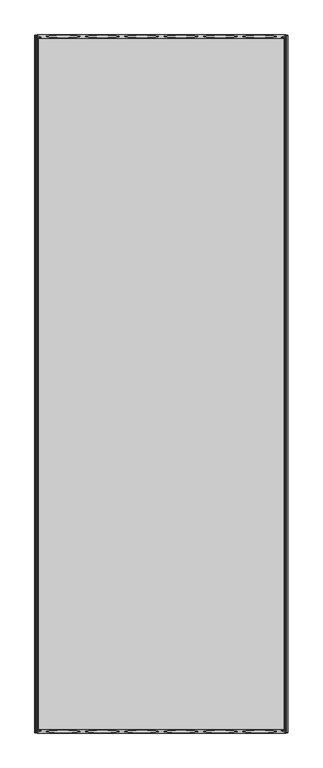
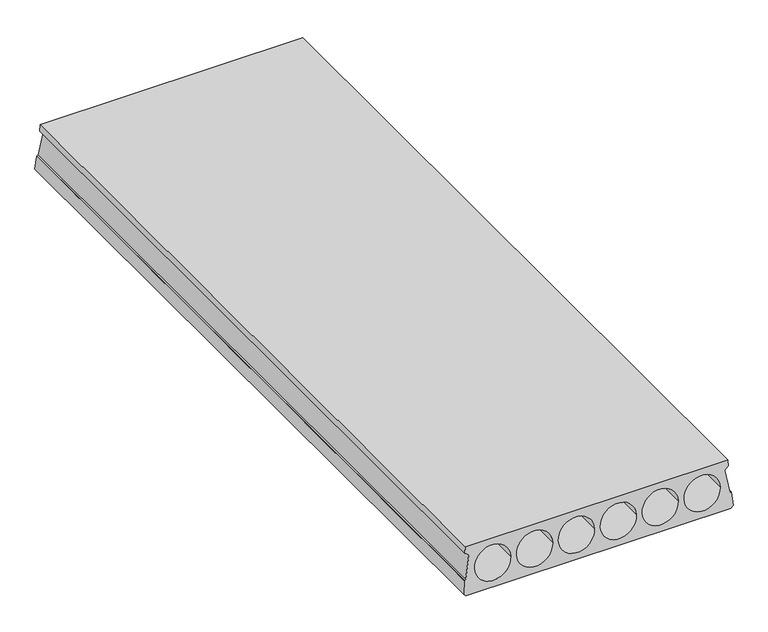
"""IFC4 building model written with IfcOpenShell, lengths in millimetres: beam geometry."""

from ifc_helpers import new_model, si_unit, frame, origin, place, context, project, spatial, polyline, ellipse_curve, source, transform, mapped, element, save
from ifc_brep_helpers import plane_surface, revolved_surface, advanced_brep


def beam_46aa6d4a(model_context):
    return source(origin(), model_context, "Body", "AdvancedBrep", [
        advanced_brep(
        [(10.0, -3280.0, 0.0), (10.0, 0.0, 0.0), (1180.0, 0.0, 0.0), (1180.0, -3280.0, 0.0), (1174.7696772, -15.0, 220.0), (15.0, -15.0, 220.0), (15.0, -3265.0, 220.0), (1174.7696772, -3265.0, 220.0), (12.8871596, -12.9831978, 190.4202344), (15.8795357, -12.9686245, 190.2064933), (15.8795357, -3267.0313755, 190.2064933), (12.8871596, -3267.0168022, 190.4202344), (29.9864516, -12.0796557, 177.1682831), (29.9864516, -3267.9203443, 177.1682831), (12.6021714, -5.0553442, 74.1450488), (12.6021714, -3274.9446558, 74.1450488), (7.3298897, -4.8075988, 70.5114493), (7.3298897, -3275.1924012, 70.5114493), (4.3580656, -4.8417899, 71.0129189), (4.3580656, -3275.1582101, 71.0129189), (0.0, -0.6818182, 10.0), (0.0, -3279.3181818, 10.0), (1190.0, -0.6818182, 10.0), (1190.0, -3279.3181818, 10.0), (1185.6391914, -4.8444083, 71.051321), (1185.6391914, -3275.1555917, 71.051321), (1182.4401418, -4.8076029, 70.5115091), (1182.4401418, -3275.1923971, 70.5115091), (1177.167566, -5.0553621, 74.1453113), (1177.167566, -3274.9446379, 74.1453113), (1159.9865416, -12.0796614, 177.1683675), (1159.9865416, -3267.9203386, 177.1683675), (1173.8901415, -12.9686245, 190.2064933), (1173.8901415, -3267.0313755, 190.2064933), (1176.8825176, -12.9831978, 190.4202344), (1176.8825176, -3267.0168022, 190.4202344), (212.0, -7.4401262, 109.1218503), (53.0, -7.4401262, 109.1218503), (53.0, -3272.5598738, 109.1218503), (212.0, -3272.5598738, 109.1218503), (397.0, -7.4401262, 109.1218503), (238.0, -7.4401262, 109.1218503), (238.0, -3272.5598738, 109.1218503), (397.0, -3272.5598738, 109.1218503), (423.0, -7.4401262, 109.1218503), (582.0, -7.4401262, 109.1218503), (608.0, -7.4401262, 109.1218503), (767.0, -7.4401262, 109.1218503), (793.0, -7.4401262, 109.1218503), (952.0, -7.4401262, 109.1218503), (978.0, -7.4401262, 109.1218503), (1137.0, -7.4401262, 109.1218503), (582.0, -3272.5598738, 109.1218503), (423.0, -3272.5598738, 109.1218503), (767.0, -3272.5598738, 109.1218503), (608.0, -3272.5598738, 109.1218503), (952.0, -3272.5598738, 109.1218503), (793.0, -3272.5598738, 109.1218503), (1137.0, -3272.5598738, 109.1218503), (978.0, -3272.5598738, 109.1218503)],
        [
            (0, 1),
            (1, 2),
            (2, 3),
            (3, 0),
            (4, 5),
            (5, 6),
            (6, 7),
            (7, 4),
            (8, 9),
            (9, 10),
            (10, 11),
            (11, 8),
            (9, 12),
            (12, 13),
            (13, 10),
            (12, 14),
            (14, 15),
            (15, 13),
            (14, 16),
            (16, 17),
            (17, 15),
            (16, 18),
            (18, 19),
            (19, 17),
            (18, 20),
            (20, 21),
            (21, 19),
            (0, 21),
            (20, 1),
            (2, 22),
            (22, 23),
            (23, 3),
            (22, 24),
            (24, 25),
            (25, 23),
            (24, 26),
            (26, 27),
            (27, 25),
            (26, 28),
            (28, 29),
            (29, 27),
            (28, 30),
            (30, 31),
            (31, 29),
            (30, 32),
            (32, 33),
            (33, 31),
            (32, 34),
            (34, 35),
            (35, 33),
            (34, 4),
            (7, 35),
            (36, 37, ellipse_curve(frame((132.5, -7.4401262, 109.1218503), z_axis=(0.0, 0.9976836926815401, 0.06802388813737582), x_axis=(0.0, -0.06802388813737509, 0.9976836926815403)), 79.684574, 79.5)),
            (37, 38),
            (38, 39, ellipse_curve(frame((132.5, -3272.5598738, 109.1218503), z_axis=(0.0, -0.99768369268154, 0.06802388813737766), x_axis=(0.0, -0.06802388813737653, -0.9976836926815401)), 79.684574, 79.5)),
            (39, 36),
            (37, 36, ellipse_curve(frame((132.5, -7.4401262, 109.1218503), z_axis=(0.0, 0.9976836926815401, 0.06802388813737582), x_axis=(0.0, -0.06802388813737509, 0.9976836926815403)), 79.684574, 79.5)),
            (39, 38, ellipse_curve(frame((132.5, -3272.5598738, 109.1218503), z_axis=(0.0, -0.99768369268154, 0.06802388813737766), x_axis=(0.0, -0.06802388813737653, -0.9976836926815401)), 79.684574, 79.5)),
            (40, 41, ellipse_curve(frame((317.5, -7.4401262, 109.1218503), z_axis=(0.0, 0.9976836926815401, 0.06802388813737582), x_axis=(0.0, -0.06802388813737509, 0.9976836926815403)), 79.684574, 79.5)),
            (41, 42),
            (42, 43, ellipse_curve(frame((317.5, -3272.5598738, 109.1218503), z_axis=(0.0, -0.99768369268154, 0.06802388813737766), x_axis=(0.0, -0.06802388813737653, -0.9976836926815401)), 79.684574, 79.5)),
            (43, 40),
            (41, 40, ellipse_curve(frame((317.5, -7.4401262, 109.1218503), z_axis=(0.0, 0.9976836926815401, 0.06802388813737582), x_axis=(0.0, -0.06802388813737509, 0.9976836926815403)), 79.684574, 79.5)),
            (43, 42, ellipse_curve(frame((317.5, -3272.5598738, 109.1218503), z_axis=(0.0, -0.99768369268154, 0.06802388813737766), x_axis=(0.0, -0.06802388813737653, -0.9976836926815401)), 79.684574, 79.5)),
            (8, 5),
            (44, 45, ellipse_curve(frame((502.5, -7.4401262, 109.1218503), z_axis=(0.0, -0.9976836926815401, -0.06802388813737582), x_axis=(0.0, -0.06802388813737509, 0.9976836926815403)), 79.684574, 79.5)),
            (45, 44, ellipse_curve(frame((502.5, -7.4401262, 109.1218503), z_axis=(0.0, -0.9976836926815401, -0.06802388813737582), x_axis=(0.0, -0.06802388813737509, 0.9976836926815403)), 79.684574, 79.5)),
            (46, 47, ellipse_curve(frame((687.5, -7.4401262, 109.1218503), z_axis=(0.0, -0.9976836926815401, -0.06802388813737582), x_axis=(0.0, -0.06802388813737509, 0.9976836926815403)), 79.684574, 79.5)),
            (47, 46, ellipse_curve(frame((687.5, -7.4401262, 109.1218503), z_axis=(0.0, -0.9976836926815401, -0.06802388813737582), x_axis=(0.0, -0.06802388813737509, 0.9976836926815403)), 79.684574, 79.5)),
            (48, 49, ellipse_curve(frame((872.5, -7.4401262, 109.1218503), z_axis=(0.0, -0.9976836926815401, -0.06802388813737582), x_axis=(0.0, -0.06802388813737509, 0.9976836926815403)), 79.684574, 79.5)),
            (49, 48, ellipse_curve(frame((872.5, -7.4401262, 109.1218503), z_axis=(0.0, -0.9976836926815401, -0.06802388813737582), x_axis=(0.0, -0.06802388813737509, 0.9976836926815403)), 79.684574, 79.5)),
            (50, 51, ellipse_curve(frame((1057.5, -7.4401262, 109.1218503), z_axis=(0.0, -0.9976836926815401, -0.06802388813737582), x_axis=(0.0, -0.06802388813737509, 0.9976836926815403)), 79.684574, 79.5)),
            (51, 50, ellipse_curve(frame((1057.5, -7.4401262, 109.1218503), z_axis=(0.0, -0.9976836926815401, -0.06802388813737582), x_axis=(0.0, -0.06802388813737509, 0.9976836926815403)), 79.684574, 79.5)),
            (6, 11),
            (52, 53, ellipse_curve(frame((502.5, -3272.5598738, 109.1218503), z_axis=(0.0, 0.99768369268154, -0.06802388813737766), x_axis=(0.0, -0.06802388813737653, -0.9976836926815401)), 79.684574, 79.5)),
            (53, 52, ellipse_curve(frame((502.5, -3272.5598738, 109.1218503), z_axis=(0.0, 0.99768369268154, -0.06802388813737766), x_axis=(0.0, -0.06802388813737653, -0.9976836926815401)), 79.684574, 79.5)),
            (54, 55, ellipse_curve(frame((687.5, -3272.5598738, 109.1218503), z_axis=(0.0, 0.99768369268154, -0.06802388813737766), x_axis=(0.0, -0.06802388813737653, -0.9976836926815401)), 79.684574, 79.5)),
            (55, 54, ellipse_curve(frame((687.5, -3272.5598738, 109.1218503), z_axis=(0.0, 0.99768369268154, -0.06802388813737766), x_axis=(0.0, -0.06802388813737653, -0.9976836926815401)), 79.684574, 79.5)),
            (56, 57, ellipse_curve(frame((872.5, -3272.5598738, 109.1218503), z_axis=(0.0, 0.99768369268154, -0.06802388813737766), x_axis=(0.0, -0.06802388813737653, -0.9976836926815401)), 79.684574, 79.5)),
            (57, 56, ellipse_curve(frame((872.5, -3272.5598738, 109.1218503), z_axis=(0.0, 0.99768369268154, -0.06802388813737766), x_axis=(0.0, -0.06802388813737653, -0.9976836926815401)), 79.684574, 79.5)),
            (58, 59, ellipse_curve(frame((1057.5, -3272.5598738, 109.1218503), z_axis=(0.0, 0.99768369268154, -0.06802388813737766), x_axis=(0.0, -0.06802388813737653, -0.9976836926815401)), 79.684574, 79.5)),
            (59, 58, ellipse_curve(frame((1057.5, -3272.5598738, 109.1218503), z_axis=(0.0, 0.99768369268154, -0.06802388813737766), x_axis=(0.0, -0.06802388813737653, -0.9976836926815401)), 79.684574, 79.5)),
            (44, 53),
            (52, 45),
            (46, 55),
            (54, 47),
            (48, 57),
            (56, 49),
            (50, 59),
            (58, 51),
        ],
        [
            plane_surface(frame((10.0, -3280.0, 0.0), z_axis=(0.0, 0.0, -1.0), x_axis=(0.0, 1.0, 0.0))),
            plane_surface(frame((1174.7696772, -3280.0, 220.0), z_axis=(0.0, 0.0, 1.0), x_axis=(0.0, 1.0, 0.0))),
            plane_surface(frame((12.8871596, -3280.0, 190.4202344), z_axis=(-0.07124704998790854, 0.0, -0.9974586998307351), x_axis=(0.0, 1.0, 0.0))),
            plane_surface(frame((15.8795357, -3280.0, 190.2064933), z_axis=(-0.6787421090247223, 0.0, -0.7343767081251095), x_axis=(0.0, 1.0, 0.0))),
            plane_surface(frame((29.9864516, -3280.0, 177.1682831), z_axis=(-0.986060169345494, 0.0, 0.16638912954377705), x_axis=(0.0, 1.0, 0.0))),
            plane_surface(frame((12.6021714, -3280.0, 74.1450488), z_axis=(-0.5674729108239465, 0.0, 0.8233920666857298), x_axis=(0.0, 1.0, 0.0))),
            plane_surface(frame((7.3298897, -3280.0, 70.5114493), z_axis=(0.1663891295437833, 0.0, 0.9860601693454929), x_axis=(0.0, 1.0, 0.0))),
            plane_surface(frame((4.3580656, -3280.0, 71.0129189), z_axis=(-0.9974586998307351, 0.0, 0.07124704998791023), x_axis=(0.0, 1.0, 0.0))),
            plane_surface(frame((0.0, -3280.0, 10.0), z_axis=(-0.7071067811865309, 0.0, -0.7071067811865641), x_axis=(0.0, 1.0, 0.0))),
            plane_surface(frame((1180.0, -3280.0, 0.0), z_axis=(0.7071067811866504, 0.0, -0.7071067811864447), x_axis=(0.0, 1.0, 0.0))),
            plane_surface(frame((1190.0, -3280.0, 10.0), z_axis=(0.9974586998307324, 0.0, 0.07124704998794615), x_axis=(0.0, 1.0, 0.0))),
            plane_surface(frame((1185.6391914, -3280.0, 71.051321), z_axis=(-0.16638912954377913, 0.0, 0.9860601693454937), x_axis=(0.0, 1.0, 0.0))),
            plane_surface(frame((1182.4401418, -3280.0, 70.5115091), z_axis=(0.5674729108239595, 0.0, 0.8233920666857208), x_axis=(0.0, 1.0, 0.0))),
            plane_surface(frame((1177.167566, -3280.0, 74.1453113), z_axis=(0.9863775932866558, 0.0, 0.16449694058560713), x_axis=(0.0, 1.0, 0.0))),
            plane_surface(frame((1159.9865416, -3280.0, 177.1683675), z_axis=(0.6840388775846207, 0.0, -0.729445552425109), x_axis=(0.0, 1.0, 0.0))),
            plane_surface(frame((1173.8901415, -3280.0, 190.2064933), z_axis=(0.07124704998787597, 0.0, -0.9974586998307374), x_axis=(0.0, 1.0, 0.0))),
            plane_surface(frame((1176.8825176, -3280.0, 190.4202344), z_axis=(0.9974586998307365, 0.0, 0.07124704998788906), x_axis=(0.0, 1.0, 0.0))),
            revolved_surface(polyline([(212.0, -3277.9803283480505, 109.1218503), (212.0, -2.0196716519496123, 109.1218503)]), (132.5, 0.0, 109.1218503), (0.0, -1.0, 0.0)),
            revolved_surface(polyline([(397.0, -3277.9803283480505, 109.1218503), (397.0, -2.0196716519496123, 109.1218503)]), (317.5, 0.0, 109.1218503), (0.0, -1.0, 0.0)),
            plane_surface(frame((1190.0, -15.0, 220.0), z_axis=(0.0, 0.9976836926815401, 0.06802388813737582), x_axis=(-1.0, 0.0, 0.0))),
            plane_surface(frame((1190.0, -3280.0, 0.0), z_axis=(0.0, -0.99768369268154, 0.06802388813737766), x_axis=(-1.0, 0.0, 0.0))),
            revolved_surface(polyline([(582.0, -3277.9803283480505, 109.1218503), (582.0, -2.0196716519496123, 109.1218503)]), (502.5, 0.0, 109.1218503), (0.0, -1.0, 0.0)),
            plane_surface(frame((15.0, -3280.0, 220.0), z_axis=(-0.997458699830735, 0.0, 0.07124704998791008), x_axis=(0.0, 1.0, 0.0))),
            revolved_surface(polyline([(767.0, -3277.9803283480505, 109.1218503), (767.0, -2.0196716519496123, 109.1218503)]), (687.5, 0.0, 109.1218503), (0.0, -1.0, 0.0)),
            revolved_surface(polyline([(952.0, -3277.9803283480505, 109.1218503), (952.0, -2.0196716519496123, 109.1218503)]), (872.5, 0.0, 109.1218503), (0.0, -1.0, 0.0)),
            revolved_surface(polyline([(1137.0, -3277.9803283480505, 109.1218503), (1137.0, -2.0196716519496123, 109.1218503)]), (1057.5, 0.0, 109.1218503), (0.0, -1.0, 0.0)),
        ],
        [
            (0, [[1, 2, 3, 4]]),
            (1, [[5, 6, 7, 8]]),
            (2, [[9, 10, 11, 12]]),
            (3, [[13, 14, 15, -10]]),
            (4, [[16, 17, 18, -14]]),
            (5, [[19, 20, 21, -17]]),
            (6, [[22, 23, 24, -20]]),
            (7, [[25, 26, 27, -23]]),
            (8, [[-1, 28, -26, 29]]),
            (9, [[-3, 30, 31, 32]]),
            (10, [[33, 34, 35, -31]]),
            (11, [[36, 37, 38, -34]]),
            (12, [[39, 40, 41, -37]]),
            (13, [[42, 43, 44, -40]]),
            (14, [[45, 46, 47, -43]]),
            (15, [[48, 49, 50, -46]]),
            (16, [[51, -8, 52, -49]]),
            (17, [[53, 54, 55, 56]]),
            (17, [[57, -56, 58, -54]]),
            (18, [[59, 60, 61, 62]]),
            (18, [[63, -62, 64, -60]]),
            (19, [[-2, -29, -25, -22, -19, -16, -13, -9, 65, -5, -51, -48, -45, -42, -39, -36, -33, -30], [-53, -57], [-59, -63], [66, 67], [68, 69], [70, 71], [72, 73]]),
            (20, [[-4, -32, -35, -38, -41, -44, -47, -50, -52, -7, 74, -11, -15, -18, -21, -24, -27, -28], [-55, -58], [-61, -64], [75, 76], [77, 78], [79, 80], [81, 82]]),
            (21, [[83, -75, 84, -66]]),
            (21, [[-83, -67, -84, -76]]),
            (22, [[-65, -12, -74, -6]]),
            (23, [[85, -77, 86, -68]]),
            (23, [[-85, -69, -86, -78]]),
            (24, [[87, -79, 88, -70]]),
            (24, [[-87, -71, -88, -80]]),
            (25, [[89, -81, 90, -72]]),
            (25, [[-89, -73, -90, -82]]),
        ],
    ),
    ])


if __name__ == "__main__":
    model = new_model("IFC4")
    model_context = context("Model", 3, world=origin())
    ifc_project = project(units=[si_unit("LENGTHUNIT", "METRE", prefix="MILLI")], contexts=[model_context])
    site = spatial("IfcSite", under=ifc_project)
    building = spatial("IfcBuilding", under=site)
    placement = place(None, origin())
    beam_shape = beam_46aa6d4a(model_context)
    element("IfcBeam", 1, at=placement, inside=building, context=model_context, shape_type="MappedRepresentation", body=[
        mapped(beam_shape, transform((0.0, 0.0, 0.0), x_axis=(1.0, 0.0, 0.0), y_axis=(0.0, 1.0, 0.0), z_axis=(0.0, 0.0, 1.0))),
    ])
    save(model, "model.ifc")
